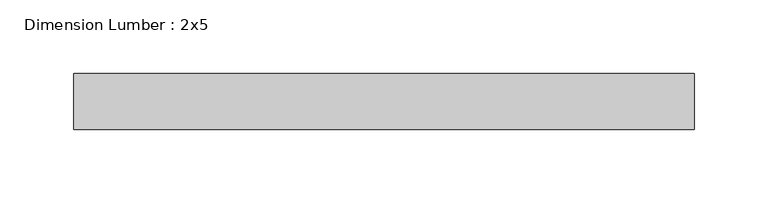
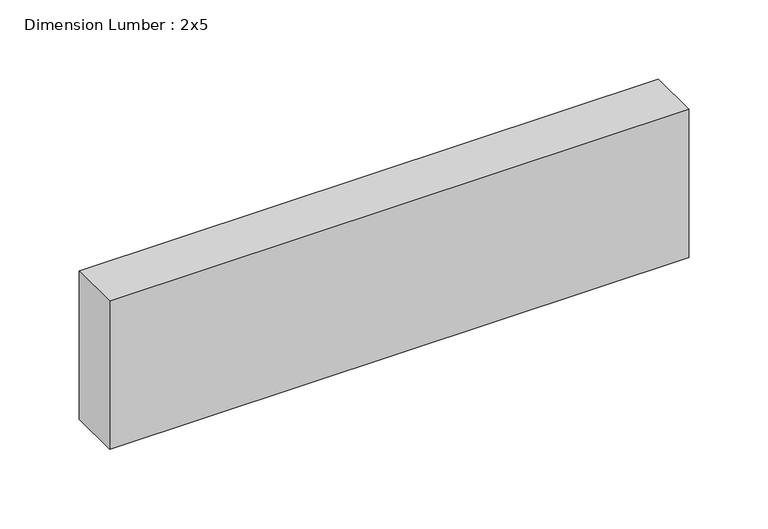
"""IFC4 building model written with IfcOpenShell, lengths in millimetres: beam geometry, Dimension Lumber : 2x5."""

from ifc_helpers import new_model, si_unit, frame, origin, place, context, project, spatial, polyline, outline, extrude, source, transform, mapped, element, save


def dimension_lumber_2x5_c54e6b55(model_context):
    return source(origin(), model_context, "Body", "SweptSolid", [
        extrude(outline(polyline([(208.3900222, 19.05), (208.3900222, -19.05), (-212.960863, -19.05), (-212.960863, 19.05), (208.3900222, 19.05)])), frame((0.0, 0.0, -57.15), z_axis=(0.0, 0.0, 1.0), x_axis=(1.0, 0.0, 0.0)), (0.0, 0.0, 1.0), 114.3),
    ])


if __name__ == "__main__":
    model = new_model("IFC4")
    model_context = context("Model", 3, world=origin())
    ifc_project = project(units=[si_unit("LENGTHUNIT", "METRE", prefix="MILLI")], contexts=[model_context])
    site = spatial("IfcSite", under=ifc_project)
    building = spatial("IfcBuilding", under=site)
    placement = place(None, origin())
    dimension_lumber_2x5_shape = dimension_lumber_2x5_c54e6b55(model_context)
    element("IfcBeam", 1, ObjectType="Dimension Lumber : 2x5", at=placement, inside=building, context=model_context, shape_type="MappedRepresentation", body=[
        mapped(dimension_lumber_2x5_shape, transform((0.0, 0.0, 0.0), x_axis=(1.0, 0.0, 0.0), y_axis=(0.0, 1.0, 0.0), z_axis=(0.0, 0.0, 1.0))),
    ])
    save(model, "model.ifc")
